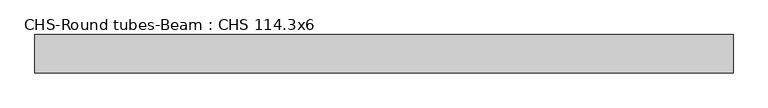
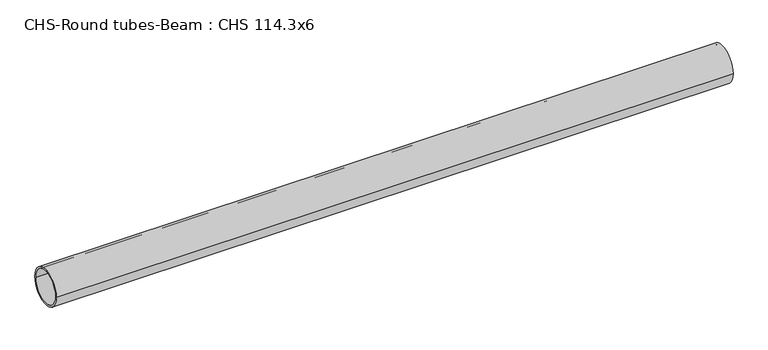
"""IFC4 building model written with IfcOpenShell, lengths in millimetres: beam geometry, CHS-Round tubes-Beam : CHS 114.3x6."""

from ifc_helpers import new_model, si_unit, point, frame, origin, origin_2d, place, context, project, spatial, circle_curve, trimmed, segment, composite_curve, outline, extrude, source, transform, mapped, element, save


def chs_round_tubes_beam_chs_114_3x6_b41c8d45(model_context):
    return source(origin(), model_context, "Body", "SweptSolid", [
        extrude(outline(composite_curve([segment(trimmed(circle_curve(origin_2d(), 57.15), [point((57.15, 0.0))], [point((-57.15, 0.0))], False, "CARTESIAN"), True, "CONTINUOUS"), segment(trimmed(circle_curve(origin_2d(), 57.15), [point((-57.15, 0.0))], [point((57.15, 0.0))], False, "CARTESIAN"), True, "CONTINUOUS")], self_intersect=False), holes=[composite_curve([segment(trimmed(circle_curve(origin_2d(), 51.15), [point((51.15, 0.0))], [point((-51.15, 0.0))], True, "CARTESIAN"), True, "CONTINUOUS"), segment(trimmed(circle_curve(origin_2d(), 51.15), [point((-51.15, 0.0))], [point((51.15, 0.0))], True, "CARTESIAN"), True, "CONTINUOUS")], self_intersect=False)]), frame((-1009.8210062, 0.0, 0.0), z_axis=(1.0, 0.0, 0.0), x_axis=(0.0, 1.0, 0.0)), (0.0, 0.0, 1.0), 2082.1427217),
    ])


if __name__ == "__main__":
    model = new_model("IFC4")
    model_context = context("Model", 3, world=origin())
    ifc_project = project(units=[si_unit("LENGTHUNIT", "METRE", prefix="MILLI")], contexts=[model_context])
    site = spatial("IfcSite", under=ifc_project)
    building = spatial("IfcBuilding", under=site)
    placement = place(None, origin())
    chs_round_tubes_beam_chs_114_3x6_shape = chs_round_tubes_beam_chs_114_3x6_b41c8d45(model_context)
    element("IfcBeam", 1, ObjectType="CHS-Round tubes-Beam : CHS 114.3x6", at=placement, inside=building, context=model_context, shape_type="MappedRepresentation", body=[
        mapped(chs_round_tubes_beam_chs_114_3x6_shape, transform((0.0, 0.0, 0.0), x_axis=(1.0, 0.0, 0.0), y_axis=(0.0, 1.0, 0.0), z_axis=(0.0, 0.0, 1.0))),
    ])
    save(model, "model.ifc")
